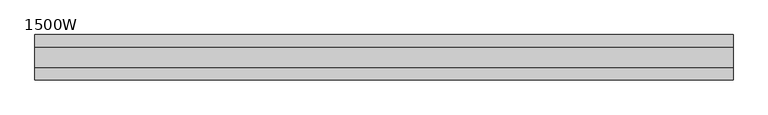
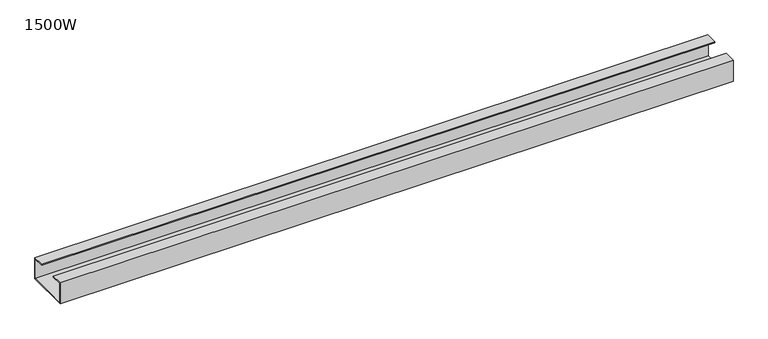
"""IFC4 building model written with IfcOpenShell, lengths in millimetres: furniture geometry, 1500W."""

import ifcopenshell
import ifcopenshell.guid

model = None  # the IFC model being written
_history = None  # IfcOwnerHistory: only IFC2X3 demands one
_inside = {}  # id of a spatial element -> (the spatial element, [elements in it])
_under = {}  # id of a project, library or spatial element -> (it, [spatial elements below it])
_declared = {}  # id of a project -> (the project, [libraries it declares])
_typed = {}  # id of a type object -> (the type object, [elements of that type])
_made_of = {}  # id of a material, layer set ... -> (it, [elements and type objects made of it])


def new_model(schema):
    """Start an empty IFC model of exactly this schema.

    Asked for "IFC4X3", IfcOpenShell would pick the latest addendum, in which some entities
    have other attributes; the version numbers below select the first issue.
    IFC2X3 requires an IfcOwnerHistory on every rooted entity: one is made here for all.
    """
    global model, _history
    if schema == "IFC4X3":
        model = ifcopenshell.file(schema_version=(4, 3, 0, 0))
    else:
        model = ifcopenshell.file(schema=schema)
    _inside.clear()
    _under.clear()
    _declared.clear()
    _typed.clear()
    _made_of.clear()
    _history = None
    if model.schema == "IFC2X3":
        org = make("IfcOrganization", Name="unknown")
        user = make(
            "IfcPersonAndOrganization",
            ThePerson=make("IfcPerson", FamilyName="unknown"),
            TheOrganization=org,
        )
        app = make(
            "IfcApplication",
            ApplicationDeveloper=org,
            Version="unknown",
            ApplicationFullName="unknown",
            ApplicationIdentifier="unknown",
        )
        _history = make(
            "IfcOwnerHistory",
            OwningUser=user,
            OwningApplication=app,
            ChangeAction="ADDED",
            CreationDate=0,
        )
    return model


def make(cls, **values):
    """One entity of the class cls with the attributes given. An attribute that is None is left unset."""
    return model.create_entity(
        cls, **{name: value for name, value in values.items() if value is not None}
    )


def rooted(cls, **values):
    """An entity with a GlobalId (a new one), such as an element, a storey or a relation."""
    return make(cls, GlobalId=ifcopenshell.guid.new(), OwnerHistory=_history, **values)


def si_unit(unit_type, name, prefix=None):
    """IfcSIUnit, for example si_unit("LENGTHUNIT", "METRE", prefix="MILLI")."""
    return make("IfcSIUnit", UnitType=unit_type, Prefix=prefix, Name=name)


def assignment(units):
    """IfcUnitAssignment: the units of a project."""
    return None if units is None else make("IfcUnitAssignment", Units=units)


def point(xyz):
    """IfcCartesianPoint."""
    return None if xyz is None else make("IfcCartesianPoint", Coordinates=xyz)


def direction(xyz):
    """IfcDirection."""
    return None if xyz is None else make("IfcDirection", DirectionRatios=xyz)


def frame(location, z_axis=None, x_axis=None):
    """IfcAxis2Placement3D, a coordinate frame: its origin and axes. An axis left out is left unset."""
    return make(
        "IfcAxis2Placement3D",
        Location=point(location),
        Axis=direction(z_axis),
        RefDirection=direction(x_axis),
    )


def origin():
    """The frame at (0, 0, 0) with its axes left unset."""
    return frame((0.0, 0.0, 0.0))


def place(relative_to, where):
    """IfcLocalPlacement: puts the frame where relative to a parent placement (None: the world)."""
    return make(
        "IfcLocalPlacement", PlacementRelTo=relative_to, RelativePlacement=where
    )


def context(
    kind, dimensions, precision=None, world=None, true_north=None, identifier=None
):
    """IfcGeometricRepresentationContext, for example the 3D "Model" context."""
    return make(
        "IfcGeometricRepresentationContext",
        ContextIdentifier=identifier,
        ContextType=kind,
        CoordinateSpaceDimension=dimensions,
        Precision=precision,
        WorldCoordinateSystem=world,
        TrueNorth=true_north,
    )


def project(units=None, contexts=None):
    """IfcProject with its units and contexts."""
    return rooted(
        "IfcProject",
        Name="project",
        RepresentationContexts=contexts,
        UnitsInContext=assignment(units),
    )


def spatial(cls, under=None, at=None, **own):
    """A site, building, storey or space (cls), placed at a placement, below another one or the project."""
    s = rooted(cls, ObjectPlacement=at, **own)
    if under is not None:
        _under.setdefault(under.id(), (under, []))[1].append(s)
    return s


def polyline(points):
    """IfcPolyline through the points."""
    return make("IfcPolyline", Points=[point(p) for p in points])


def outline(outer, holes=None, kind="AREA"):
    """IfcArbitraryClosedProfileDef: a profile drawn as a closed curve; with holes, ...WithVoids."""
    if holes is None:
        return make("IfcArbitraryClosedProfileDef", ProfileType=kind, OuterCurve=outer)
    return make(
        "IfcArbitraryProfileDefWithVoids",
        ProfileType=kind,
        OuterCurve=outer,
        InnerCurves=holes,
    )


def extrude(swept, where, along, depth):
    """IfcExtrudedAreaSolid: the profile swept, set in the frame where, extruded along a direction by depth."""
    return make(
        "IfcExtrudedAreaSolid",
        SweptArea=swept,
        Position=where,
        ExtrudedDirection=direction(along),
        Depth=depth,
    )


def shape(context_of_items, identifier, shape_type, items):
    """IfcShapeRepresentation: the items that make up one representation, for example the "Body"."""
    return make(
        "IfcShapeRepresentation",
        ContextOfItems=context_of_items,
        RepresentationIdentifier=identifier,
        RepresentationType=shape_type,
        Items=items,
    )


def source(mapping_origin, context_of_items, identifier, shape_type, items):
    """IfcRepresentationMap: a shape defined once, which mapped items show again and again."""
    return make(
        "IfcRepresentationMap",
        MappingOrigin=mapping_origin,
        MappedRepresentation=shape(context_of_items, identifier, shape_type, items),
    )


def transform(
    local_origin,
    x_axis=None,
    y_axis=None,
    z_axis=None,
    scale=None,
    scale2=None,
    scale3=None,
    uniform=True,
):
    """IfcCartesianTransformationOperator3D, or its non-uniform kind. x_axis, y_axis, z_axis: its Axis1, 2, 3."""
    if uniform:
        return make(
            "IfcCartesianTransformationOperator3D",
            Axis1=direction(x_axis),
            Axis2=direction(y_axis),
            LocalOrigin=point(local_origin),
            Scale=scale,
            Axis3=direction(z_axis),
        )
    return make(
        "IfcCartesianTransformationOperator3DnonUniform",
        Axis1=direction(x_axis),
        Axis2=direction(y_axis),
        LocalOrigin=point(local_origin),
        Scale=scale,
        Axis3=direction(z_axis),
        Scale2=scale2,
        Scale3=scale3,
    )


def mapped(mapping_source, mapping_target):
    """IfcMappedItem: shows the shape of a source again, moved by a transform."""
    return make(
        "IfcMappedItem", MappingSource=mapping_source, MappingTarget=mapping_target
    )


def made_of(thing, what):
    """Note that an element or type object is made of a material, layer set ...; save() writes the relation."""
    if what is not None:
        _made_of.setdefault(what.id(), (what, []))[1].append(thing)
    return thing


def element(
    cls,
    number,
    at=None,
    inside=None,
    cuts=None,
    type_object=None,
    material=None,
    context=None,
    identifier="Body",
    shape_type=None,
    held_by="IfcProductDefinitionShape",
    body=None,
    shapes=None,
    **own,
):
    """One element of the class cls, such as IfcWall. Its Tag is "e" and its number.

    at: its placement. inside: the storey or other place that contains it. cuts: it is an
    opening in that element (IfcRelVoidsElement). A single representation is given by context,
    identifier, shape_type and body (its items); several are given by shapes. held_by: the class
    of the entity that holds the representations. save() writes the other relations.
    """
    e = rooted(cls, Tag="e%d" % number, ObjectPlacement=at, **own)
    if body is not None:
        shapes = [shape(context, identifier, shape_type, body)]
    if shapes is not None:
        e.Representation = make(held_by, Representations=shapes)
    if inside is not None:
        _inside.setdefault(inside.id(), (inside, []))[1].append(e)
    if cuts is not None:
        rooted(
            "IfcRelVoidsElement", RelatingBuildingElement=cuts, RelatedOpeningElement=e
        )
    if type_object is not None:
        _typed.setdefault(type_object.id(), (type_object, []))[1].append(e)
    return made_of(e, material)


def aggregate(whole, parts):
    """IfcRelAggregates: a whole, such as a stair, and the parts it consists of."""
    return rooted("IfcRelAggregates", RelatingObject=whole, RelatedObjects=parts)


def save(model, path):
    """Write the relations noted so far, then the file.

    IfcRelAggregates (storeys below a building ...), IfcRelContainedInSpatialStructure (elements
    in a storey), IfcRelDefinesByType, IfcRelAssociatesMaterial and IfcRelDeclares: one each for
    every whole, place, type object, material and project.
    """
    for whole, parts in _under.values():
        aggregate(whole, parts)
    for where, things in _inside.values():
        rooted(
            "IfcRelContainedInSpatialStructure",
            RelatedElements=things,
            RelatingStructure=where,
        )
    for kind, things in _typed.values():
        rooted("IfcRelDefinesByType", RelatedObjects=things, RelatingType=kind)
    for what, things in _made_of.values():
        rooted("IfcRelAssociatesMaterial", RelatedObjects=things, RelatingMaterial=what)
    for by, libraries in _declared.values():
        rooted("IfcRelDeclares", RelatingContext=by, RelatedDefinitions=libraries)
    model.write(path)


def furniture_1500w_0b79379d(model_context):
    return source(origin(), model_context, "Body", "SweptSolid", [
        extrude(outline(polyline([(47.3, 667.0), (-47.3, 667.0), (-47.3, 715.0), (-22.0, 715.0), (-22.0, 713.0), (-45.3, 713.0), (-45.3, 669.0), (45.3, 669.0), (45.3, 713.0), (22.0, 713.0), (22.0, 715.0), (47.3, 715.0), (47.3, 667.0)])), frame((-725.0, 0.0, 0.0), z_axis=(1.0, 0.0, 0.0), x_axis=(0.0, 1.0, 0.0)), (0.0, 0.0, 1.0), 1450.0),
    ])


if __name__ == "__main__":
    model = new_model("IFC4")
    model_context = context("Model", 3, world=origin())
    ifc_project = project(units=[si_unit("LENGTHUNIT", "METRE", prefix="MILLI")], contexts=[model_context])
    site = spatial("IfcSite", under=ifc_project)
    building = spatial("IfcBuilding", under=site)
    placement = place(None, origin())
    furniture_1500w_shape = furniture_1500w_0b79379d(model_context)
    element("IfcFurniture", 1, ObjectType="1500W", at=placement, inside=building, context=model_context, shape_type="MappedRepresentation", body=[
        mapped(furniture_1500w_shape, transform((0.0, 0.0, 0.0), x_axis=(1.0, 0.0, 0.0), y_axis=(0.0, 1.0, 0.0), z_axis=(0.0, 0.0, 1.0))),
    ])
    save(model, "model.ifc")
